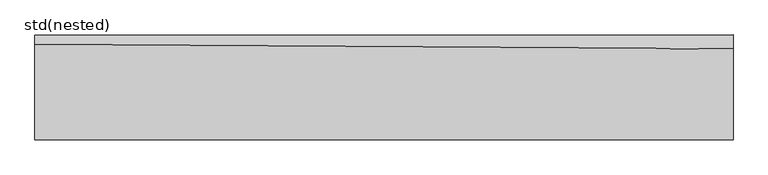
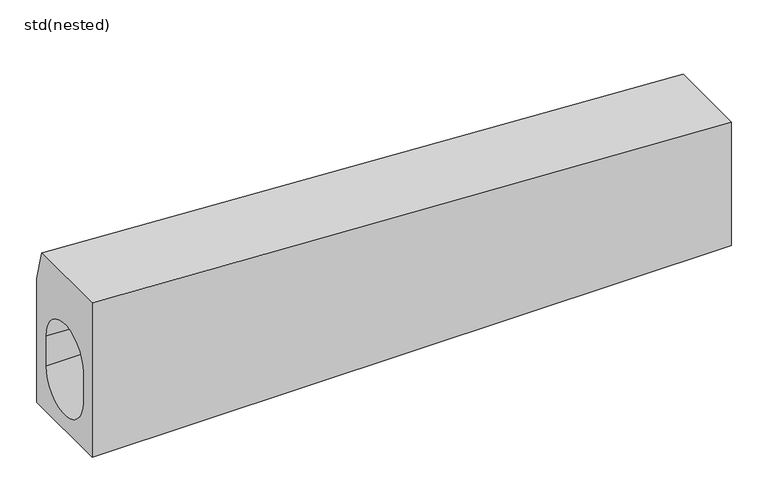
"""IFC4 building model written with IfcOpenShell, lengths in millimetres: sanitary terminal geometry, std(nested)."""

from ifc_helpers import new_model, si_unit, point, frame, origin, place, context, project, spatial, polyline, circle_curve, trimmed, source, transform, mapped, element, save
from ifc_brep_helpers import plane_surface, revolved_surface, extruded_surface, spline_surface, advanced_brep


def std_nested_4244e2df(model_context):
    return source(origin(), model_context, "Body", "AdvancedBrep", [
        advanced_brep(
        [(247.1470743, -700.4923488, -255.0), (247.1470743, -550.3447123, -255.0), (247.1470743, -550.3447123, -70.0), (247.1470743, -570.3447123, -50.0), (247.1470743, -700.4923488, -50.0), (247.1470743, -575.4923488, -180.0), (247.1470743, -675.4923488, -180.0), (-752.8529257, -700.4923488, -255.0), (-752.8529257, -700.4923488, 0.0), (-752.8529257, -563.8898084, 0.0), (-752.8529257, -550.4923488, -50.0), (-752.8529257, -550.4923488, -255.0), (-752.8529257, -675.4923488, -130.0), (-752.8529257, -675.4923488, -180.0), (-752.8529257, -575.4923488, -180.0), (-752.8529257, -575.4923488, -130.0)],
        [
            (0, 1),
            (1, 2),
            (2, 3),
            (3, 4),
            (4, 0),
            (5, 6, circle_curve(frame((247.1470743, -625.4923488, -180.0), z_axis=(-1.0, 0.0, 0.0), x_axis=(0.0, 0.0, -1.0)), 50.0)),
            (6, 5, circle_curve(frame((247.1470743, -625.4923488, -180.0), z_axis=(-1.0, 0.0, 0.0), x_axis=(0.0, 1.0, 0.0)), 50.0)),
            (7, 8),
            (8, 9),
            (9, 10),
            (10, 11),
            (11, 7),
            (12, 13),
            (13, 14, circle_curve(frame((-752.8529257, -625.4923488, -180.0), z_axis=(1.0, 0.0, 0.0), x_axis=(0.0, 0.0, -1.0)), 50.0)),
            (14, 15),
            (15, 12, circle_curve(frame((-752.8529257, -625.4923488, -130.0), z_axis=(1.0, 0.0, 0.0), x_axis=(0.0, 1.0, 0.0)), 50.0)),
            (0, 7),
            (11, 1),
            (10, 2),
            (3, 9),
            (8, 4),
            (12, 6),
            (6, 13),
            (14, 5),
            (5, 15),
        ],
        [
            plane_surface(frame((247.1470743, -614.4037669, -136.0), z_axis=(1.0, 0.0, 0.0), x_axis=(0.0, -1.0, 0.0))),
            plane_surface(frame((-752.8529257, -613.1718407, -112.0), z_axis=(-1.0, 0.0, 0.0), x_axis=(0.0, 1.0, 0.0))),
            plane_surface(frame((-752.8529257, -625.4923488, -255.0), z_axis=(0.0, 0.0, -1.0), x_axis=(0.0, 1.0, 0.0))),
            plane_surface(frame((-752.8529257, -550.4923488, -152.5), z_axis=(-0.00014763645358182483, 0.9999999891017387, 0.0), x_axis=(0.0, 0.0, 1.0))),
            plane_surface(frame((-752.8529257, -632.1910786, 0.0), z_axis=(0.04993761694389238, 0.0, 0.9987523388778448), x_axis=(0.0, -1.0, 0.0))),
            plane_surface(frame((-752.8529257, -700.4923488, -127.5), z_axis=(0.0, -1.0, 0.0), x_axis=(0.0, 0.0, -1.0))),
            spline_surface(1, 1, [[(-752.8529257, -550.4923488, -50.0), (247.1470743, -550.3447123, -70.0)], [(-752.8529257, -563.8898084, 0.0), (247.1470743, -570.3447123, -50.0)]], [2, 2], [2, 2], [0.0, 1.0], [0.0, 1.0]),
            plane_surface(frame((-752.8529257, -675.4923488, -155.0), z_axis=(0.0, 1.0, 0.0), x_axis=(0.0, 0.0, -1.0))),
            plane_surface(frame((-752.8529257, -575.4923488, -155.0), z_axis=(0.0, -1.0, 0.0), x_axis=(0.0, 0.0, 1.0))),
            revolved_surface(polyline([(247.14707429999999, -625.4923488, -230.0), (-752.8529257, -625.4923488, -230.0)]), (-752.8529257, -625.4923488, -180.0), (1.0, 0.0, 0.0)),
            extruded_surface(trimmed(circle_curve(frame((247.1470743, -625.4923488, -180.0), z_axis=(1.0, 0.0, 0.0), x_axis=(0.0, 1.0, 0.0)), 50.0), [point((247.1470743, -575.4923488, -180.0))], [point((247.1470743, -675.4923488, -180.0))], True, "CARTESIAN"), (-1000.0, 0.0, 50.0), 1001.2492197250393),
        ],
        [
            (0, [[1, 2, 3, 4, 5], [6, 7]]),
            (1, [[8, 9, 10, 11, 12], [13, 14, 15, 16]]),
            (2, [[-1, 17, -12, 18]]),
            (3, [[-2, -18, -11, 19]]),
            (4, [[-4, 20, -9, 21]]),
            (5, [[-5, -21, -8, -17]]),
            (6, [[-3, -19, -10, -20]]),
            (7, [[22, 23, -13]]),
            (8, [[24, 25, -15]]),
            (9, [[-23, -6, -24, -14]]),
            (10, [[-22, -16, -25, -7]]),
        ],
    ),
    ])


if __name__ == "__main__":
    model = new_model("IFC4")
    model_context = context("Model", 3, world=origin())
    ifc_project = project(units=[si_unit("LENGTHUNIT", "METRE", prefix="MILLI")], contexts=[model_context])
    site = spatial("IfcSite", under=ifc_project)
    building = spatial("IfcBuilding", under=site)
    placement = place(None, origin())
    std_nested_shape = std_nested_4244e2df(model_context)
    element("IfcSanitaryTerminal", 1, ObjectType="std(nested)", at=placement, inside=building, context=model_context, shape_type="MappedRepresentation", body=[
        mapped(std_nested_shape, transform((0.0, 0.0, 0.0), x_axis=(1.0, 0.0, 0.0), y_axis=(0.0, 1.0, 0.0), z_axis=(0.0, 0.0, 1.0))),
    ])
    save(model, "model.ifc")
